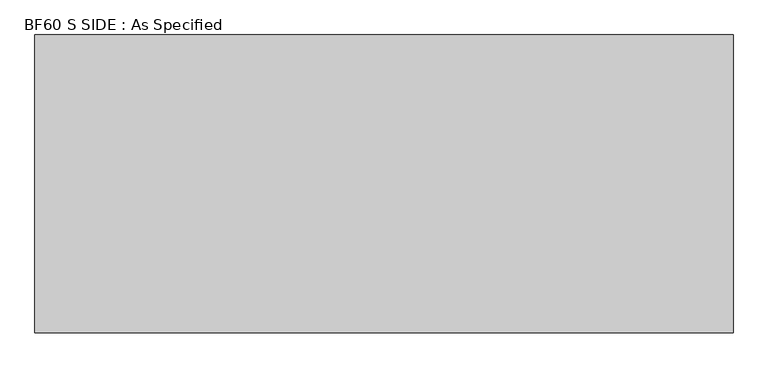
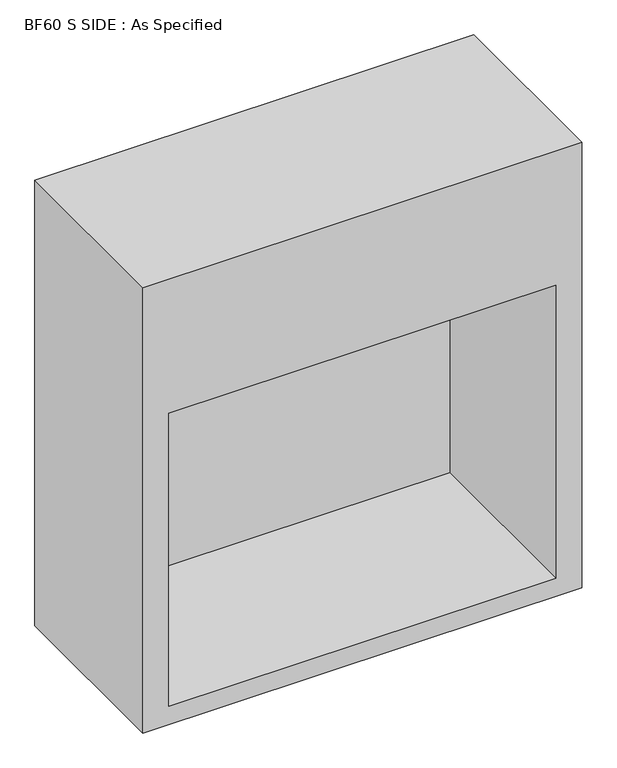
"""IFC4 building model written with IfcOpenShell, lengths in millimetres: proxy geometry, BF60 S SIDE : As Specified."""

import ifcopenshell
import ifcopenshell.guid

model = None  # the IFC model being written
_history = None  # IfcOwnerHistory: only IFC2X3 demands one
_inside = {}  # id of a spatial element -> (the spatial element, [elements in it])
_under = {}  # id of a project, library or spatial element -> (it, [spatial elements below it])
_declared = {}  # id of a project -> (the project, [libraries it declares])
_typed = {}  # id of a type object -> (the type object, [elements of that type])
_made_of = {}  # id of a material, layer set ... -> (it, [elements and type objects made of it])


def new_model(schema):
    """Start an empty IFC model of exactly this schema.

    Asked for "IFC4X3", IfcOpenShell would pick the latest addendum, in which some entities
    have other attributes; the version numbers below select the first issue.
    IFC2X3 requires an IfcOwnerHistory on every rooted entity: one is made here for all.
    """
    global model, _history
    if schema == "IFC4X3":
        model = ifcopenshell.file(schema_version=(4, 3, 0, 0))
    else:
        model = ifcopenshell.file(schema=schema)
    _inside.clear()
    _under.clear()
    _declared.clear()
    _typed.clear()
    _made_of.clear()
    _history = None
    if model.schema == "IFC2X3":
        org = make("IfcOrganization", Name="unknown")
        user = make(
            "IfcPersonAndOrganization",
            ThePerson=make("IfcPerson", FamilyName="unknown"),
            TheOrganization=org,
        )
        app = make(
            "IfcApplication",
            ApplicationDeveloper=org,
            Version="unknown",
            ApplicationFullName="unknown",
            ApplicationIdentifier="unknown",
        )
        _history = make(
            "IfcOwnerHistory",
            OwningUser=user,
            OwningApplication=app,
            ChangeAction="ADDED",
            CreationDate=0,
        )
    return model


def make(cls, **values):
    """One entity of the class cls with the attributes given. An attribute that is None is left unset."""
    return model.create_entity(
        cls, **{name: value for name, value in values.items() if value is not None}
    )


def rooted(cls, **values):
    """An entity with a GlobalId (a new one), such as an element, a storey or a relation."""
    return make(cls, GlobalId=ifcopenshell.guid.new(), OwnerHistory=_history, **values)


def si_unit(unit_type, name, prefix=None):
    """IfcSIUnit, for example si_unit("LENGTHUNIT", "METRE", prefix="MILLI")."""
    return make("IfcSIUnit", UnitType=unit_type, Prefix=prefix, Name=name)


def assignment(units):
    """IfcUnitAssignment: the units of a project."""
    return None if units is None else make("IfcUnitAssignment", Units=units)


def point(xyz):
    """IfcCartesianPoint."""
    return None if xyz is None else make("IfcCartesianPoint", Coordinates=xyz)


def direction(xyz):
    """IfcDirection."""
    return None if xyz is None else make("IfcDirection", DirectionRatios=xyz)


def frame(location, z_axis=None, x_axis=None):
    """IfcAxis2Placement3D, a coordinate frame: its origin and axes. An axis left out is left unset."""
    return make(
        "IfcAxis2Placement3D",
        Location=point(location),
        Axis=direction(z_axis),
        RefDirection=direction(x_axis),
    )


def origin():
    """The frame at (0, 0, 0) with its axes left unset."""
    return frame((0.0, 0.0, 0.0))


def place(relative_to, where):
    """IfcLocalPlacement: puts the frame where relative to a parent placement (None: the world)."""
    return make(
        "IfcLocalPlacement", PlacementRelTo=relative_to, RelativePlacement=where
    )


def context(
    kind, dimensions, precision=None, world=None, true_north=None, identifier=None
):
    """IfcGeometricRepresentationContext, for example the 3D "Model" context."""
    return make(
        "IfcGeometricRepresentationContext",
        ContextIdentifier=identifier,
        ContextType=kind,
        CoordinateSpaceDimension=dimensions,
        Precision=precision,
        WorldCoordinateSystem=world,
        TrueNorth=true_north,
    )


def project(units=None, contexts=None):
    """IfcProject with its units and contexts."""
    return rooted(
        "IfcProject",
        Name="project",
        RepresentationContexts=contexts,
        UnitsInContext=assignment(units),
    )


def spatial(cls, under=None, at=None, **own):
    """A site, building, storey or space (cls), placed at a placement, below another one or the project."""
    s = rooted(cls, ObjectPlacement=at, **own)
    if under is not None:
        _under.setdefault(under.id(), (under, []))[1].append(s)
    return s


def faces_of(points, faces, orient=None, outer=None):
    """IfcFace entities. A face is a list of loops; a loop is a list of indices into points, from 0.

    orient and outer hold one flag for each loop. By default every Orientation is true, the
    first loop of a face is its IfcFaceOuterBound and the others are IfcFaceBound.
    """
    made = []
    for i, loops in enumerate(faces):
        bounds = []
        for j, loop in enumerate(loops):
            is_outer = j == 0 if outer is None else outer[i][j]
            bounds.append(
                make(
                    "IfcFaceOuterBound" if is_outer else "IfcFaceBound",
                    Bound=make("IfcPolyLoop", Polygon=[points[k] for k in loop]),
                    Orientation=True if orient is None else orient[i][j],
                )
            )
        made.append(make("IfcFace", Bounds=bounds))
    return made


def faceted_brep(points, faces, orient=None, outer=None, voids=None):
    """IfcFacetedBrep: a solid bounded by flat faces; with voids (closed shells), ...WithVoids."""
    shared = [point(p) for p in points]
    hull = make("IfcClosedShell", CfsFaces=faces_of(shared, faces, orient, outer))
    if voids is None:
        return make("IfcFacetedBrep", Outer=hull)
    return make(
        "IfcFacetedBrepWithVoids",
        Outer=hull,
        Voids=[
            make(cls, CfsFaces=faces_of(shared, fs, o, b)) for cls, fs, o, b in voids
        ],
    )


def shape(context_of_items, identifier, shape_type, items):
    """IfcShapeRepresentation: the items that make up one representation, for example the "Body"."""
    return make(
        "IfcShapeRepresentation",
        ContextOfItems=context_of_items,
        RepresentationIdentifier=identifier,
        RepresentationType=shape_type,
        Items=items,
    )


def source(mapping_origin, context_of_items, identifier, shape_type, items):
    """IfcRepresentationMap: a shape defined once, which mapped items show again and again."""
    return make(
        "IfcRepresentationMap",
        MappingOrigin=mapping_origin,
        MappedRepresentation=shape(context_of_items, identifier, shape_type, items),
    )


def transform(
    local_origin,
    x_axis=None,
    y_axis=None,
    z_axis=None,
    scale=None,
    scale2=None,
    scale3=None,
    uniform=True,
):
    """IfcCartesianTransformationOperator3D, or its non-uniform kind. x_axis, y_axis, z_axis: its Axis1, 2, 3."""
    if uniform:
        return make(
            "IfcCartesianTransformationOperator3D",
            Axis1=direction(x_axis),
            Axis2=direction(y_axis),
            LocalOrigin=point(local_origin),
            Scale=scale,
            Axis3=direction(z_axis),
        )
    return make(
        "IfcCartesianTransformationOperator3DnonUniform",
        Axis1=direction(x_axis),
        Axis2=direction(y_axis),
        LocalOrigin=point(local_origin),
        Scale=scale,
        Axis3=direction(z_axis),
        Scale2=scale2,
        Scale3=scale3,
    )


def mapped(mapping_source, mapping_target):
    """IfcMappedItem: shows the shape of a source again, moved by a transform."""
    return make(
        "IfcMappedItem", MappingSource=mapping_source, MappingTarget=mapping_target
    )


def made_of(thing, what):
    """Note that an element or type object is made of a material, layer set ...; save() writes the relation."""
    if what is not None:
        _made_of.setdefault(what.id(), (what, []))[1].append(thing)
    return thing


def element(
    cls,
    number,
    at=None,
    inside=None,
    cuts=None,
    type_object=None,
    material=None,
    context=None,
    identifier="Body",
    shape_type=None,
    held_by="IfcProductDefinitionShape",
    body=None,
    shapes=None,
    **own,
):
    """One element of the class cls, such as IfcWall. Its Tag is "e" and its number.

    at: its placement. inside: the storey or other place that contains it. cuts: it is an
    opening in that element (IfcRelVoidsElement). A single representation is given by context,
    identifier, shape_type and body (its items); several are given by shapes. held_by: the class
    of the entity that holds the representations. save() writes the other relations.
    """
    e = rooted(cls, Tag="e%d" % number, ObjectPlacement=at, **own)
    if body is not None:
        shapes = [shape(context, identifier, shape_type, body)]
    if shapes is not None:
        e.Representation = make(held_by, Representations=shapes)
    if inside is not None:
        _inside.setdefault(inside.id(), (inside, []))[1].append(e)
    if cuts is not None:
        rooted(
            "IfcRelVoidsElement", RelatingBuildingElement=cuts, RelatedOpeningElement=e
        )
    if type_object is not None:
        _typed.setdefault(type_object.id(), (type_object, []))[1].append(e)
    return made_of(e, material)


def aggregate(whole, parts):
    """IfcRelAggregates: a whole, such as a stair, and the parts it consists of."""
    return rooted("IfcRelAggregates", RelatingObject=whole, RelatedObjects=parts)


def save(model, path):
    """Write the relations noted so far, then the file.

    IfcRelAggregates (storeys below a building ...), IfcRelContainedInSpatialStructure (elements
    in a storey), IfcRelDefinesByType, IfcRelAssociatesMaterial and IfcRelDeclares: one each for
    every whole, place, type object, material and project.
    """
    for whole, parts in _under.values():
        aggregate(whole, parts)
    for where, things in _inside.values():
        rooted(
            "IfcRelContainedInSpatialStructure",
            RelatedElements=things,
            RelatingStructure=where,
        )
    for kind, things in _typed.values():
        rooted("IfcRelDefinesByType", RelatedObjects=things, RelatingType=kind)
    for what, things in _made_of.values():
        rooted("IfcRelAssociatesMaterial", RelatedObjects=things, RelatingMaterial=what)
    for by, libraries in _declared.values():
        rooted("IfcRelDeclares", RelatingContext=by, RelatedDefinitions=libraries)
    model.write(path)


def bf60_s_side_as_specified_3d87e2b6(model_context):
    return source(origin(), model_context, "Body", "Brep", [
        faceted_brep([(863.6, 368.3, 1854.2), (-863.6, 368.3, 1854.2), (-863.6, -368.3, 1854.2), (863.6, -368.3, 1854.2), (863.6, 368.3, 0.0), (863.6, -368.3, 0.0), (-863.6, -368.3, 0.0), (-863.6, 368.3, 0.0), (-762.0, -368.3, 1295.4), (762.0, -368.3, 1295.4), (762.0, -368.3, 76.2), (-762.0, -368.3, 76.2), (762.0, 355.6, 1295.4), (-762.0, 355.6, 1295.4), (-762.0, 355.6, 76.2), (762.0, 355.6, 76.2)], [[[0, 1, 2, 3]], [[4, 5, 6, 7]], [[1, 0, 4, 7]], [[2, 1, 7, 6]], [[3, 2, 6, 5], [8, 9, 10, 11]], [[0, 3, 5, 4]], [[12, 13, 14, 15]], [[13, 12, 9, 8]], [[14, 13, 8, 11]], [[15, 14, 11, 10]], [[12, 15, 10, 9]]]),
    ])


if __name__ == "__main__":
    model = new_model("IFC4")
    model_context = context("Model", 3, world=origin())
    ifc_project = project(units=[si_unit("LENGTHUNIT", "METRE", prefix="MILLI")], contexts=[model_context])
    site = spatial("IfcSite", under=ifc_project)
    building = spatial("IfcBuilding", under=site)
    placement = place(None, origin())
    bf60_s_side_as_specified_shape = bf60_s_side_as_specified_3d87e2b6(model_context)
    element("IfcBuildingElementProxy", 1, Name="BF60 S SIDE : As Specified", ObjectType="BF60 S SIDE : As Specified", at=placement, inside=building, context=model_context, shape_type="MappedRepresentation", body=[
        mapped(bf60_s_side_as_specified_shape, transform((0.0, 0.0, 0.0), x_axis=(1.0, 0.0, 0.0), y_axis=(0.0, 1.0, 0.0), z_axis=(0.0, 0.0, 1.0))),
    ])
    save(model, "model.ifc")
